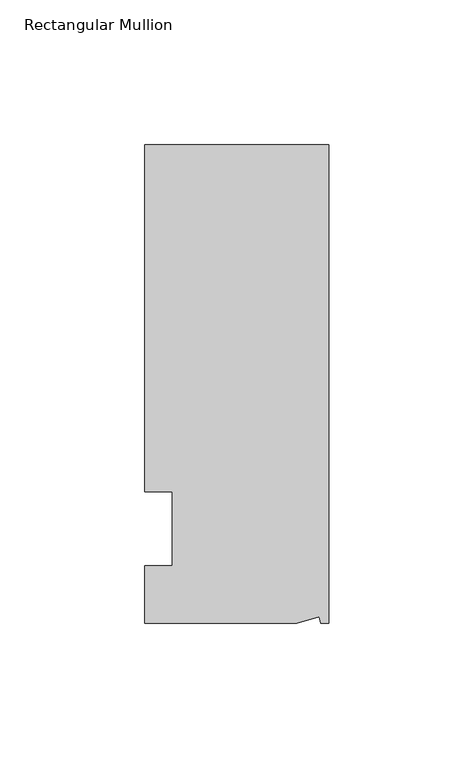
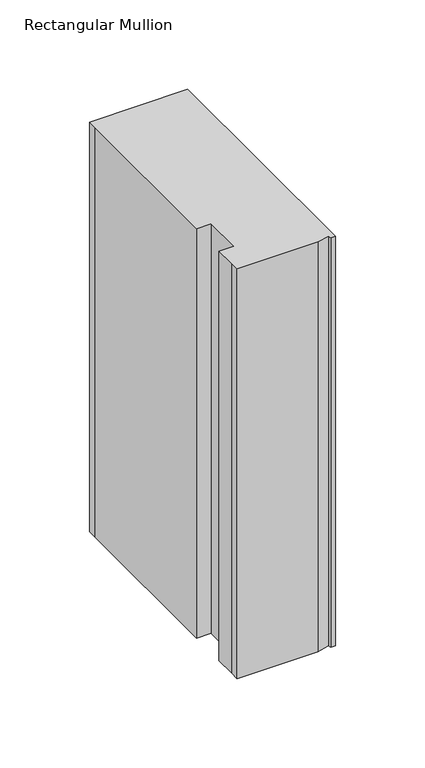
"""IFC4 building model written with IfcOpenShell, lengths in millimetres: member geometry, Rectangular Mullion."""

from ifc_helpers import new_model, si_unit, origin, place, context, project, spatial, faceted_brep, source, transform, mapped, element, save


def rectangular_mullion_4f7a834c(model_context):
    return source(origin(), model_context, "Body", "Brep", [
        faceted_brep([(0.0, 132.5561012, 0.0), (-63.5, 132.5561012, 0.0), (-63.5, 126.2061012, 0.0), (-63.5, 12.8488281, 0.0), (-53.975, 12.8488281, 0.0), (-53.975, -12.7, 0.0), (-63.5, -12.7, 0.0), (-63.5, -26.1938988, 0.0), (-63.5076469, -32.5438988, 0.0), (-11.1125, -32.5438988, 0.0), (-3.3223696, -30.4565397, 0.0), (-2.7630634, -32.5438988, 0.0), (0.0, -32.5438988, 0.0), (0.0, 132.5561012, -279.4), (0.0, -32.5438988, -279.4), (-2.7630634, -32.5438988, -279.4), (-3.3223696, -30.4565397, -279.4), (-11.1125, -32.5438988, -279.4), (-63.5076469, -32.5438988, -279.4), (-63.5076469, -26.1938988, -279.4), (-63.5, -12.7, -279.4), (-53.975, -12.7, -279.4), (-53.975, 12.8488281, -279.4), (-63.5, 12.8488281, -279.4), (-63.5, 126.2061012, -279.4), (-63.5, 132.5561012, -279.4)], [[[0, 1, 2, 3, 4, 5, 6, 7, 8, 9, 10, 11, 12]], [[13, 14, 15, 16, 17, 18, 19, 20, 21, 22, 23, 24, 25]], [[0, 12, 14, 13]], [[1, 0, 13, 25]], [[3, 2, 24, 23]], [[4, 3, 23, 22]], [[5, 4, 22, 21]], [[6, 5, 21, 20]], [[7, 6, 20, 19]], [[9, 8, 18, 17]], [[10, 9, 17, 16]], [[11, 10, 16, 15]], [[12, 11, 15, 14]], [[2, 1, 25, 24]], [[8, 7, 19, 18]]]),
    ])


if __name__ == "__main__":
    model = new_model("IFC4")
    model_context = context("Model", 3, world=origin())
    ifc_project = project(units=[si_unit("LENGTHUNIT", "METRE", prefix="MILLI")], contexts=[model_context])
    site = spatial("IfcSite", under=ifc_project)
    building = spatial("IfcBuilding", under=site)
    placement = place(None, origin())
    rectangular_mullion_shape = rectangular_mullion_4f7a834c(model_context)
    element("IfcMember", 1, ObjectType="Rectangular Mullion", at=placement, inside=building, context=model_context, shape_type="MappedRepresentation", body=[
        mapped(rectangular_mullion_shape, transform((0.0, 0.0, 0.0), x_axis=(1.0, 0.0, 0.0), y_axis=(0.0, 1.0, 0.0), z_axis=(0.0, 0.0, 1.0))),
    ])
    save(model, "model.ifc")
